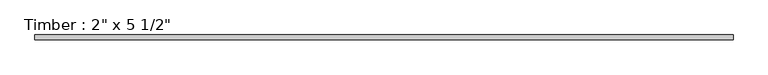
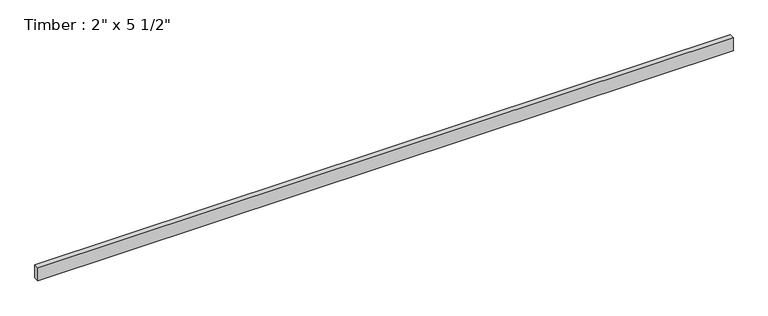
"""IFC4 building model written with IfcOpenShell, lengths in millimetres: beam geometry."""

from ifc_helpers import new_model, si_unit, frame, origin, place, context, project, spatial, polyline, outline, extrude, source, transform, mapped, element, save


def beam_9d9a9514(model_context):
    return source(origin(), model_context, "Body", "SweptSolid", [
        extrude(outline(polyline([(3486.618351, 25.4), (3486.618351, -25.4), (-3486.618351, -25.4), (-3486.618351, 25.4), (3486.618351, 25.4)])), frame((0.0, 0.0, -69.85), z_axis=(0.0, 0.0, 1.0), x_axis=(1.0, 0.0, 0.0)), (0.0, 0.0, 1.0), 139.7),
    ])


if __name__ == "__main__":
    model = new_model("IFC4")
    model_context = context("Model", 3, world=origin())
    ifc_project = project(units=[si_unit("LENGTHUNIT", "METRE", prefix="MILLI")], contexts=[model_context])
    site = spatial("IfcSite", under=ifc_project)
    building = spatial("IfcBuilding", under=site)
    placement = place(None, origin())
    beam_shape = beam_9d9a9514(model_context)
    element("IfcBeam", 1, ObjectType="Timber : 2\" x 5 1/2\"", at=placement, inside=building, context=model_context, shape_type="MappedRepresentation", body=[
        mapped(beam_shape, transform((0.0, 0.0, 0.0), x_axis=(1.0, 0.0, 0.0), y_axis=(0.0, 1.0, 0.0), z_axis=(0.0, 0.0, 1.0))),
    ])
    save(model, "model.ifc")
